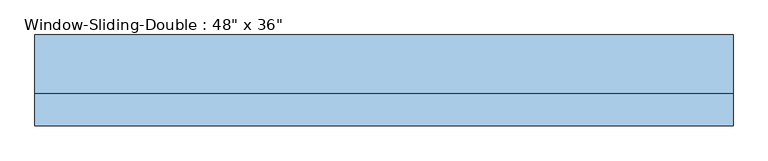
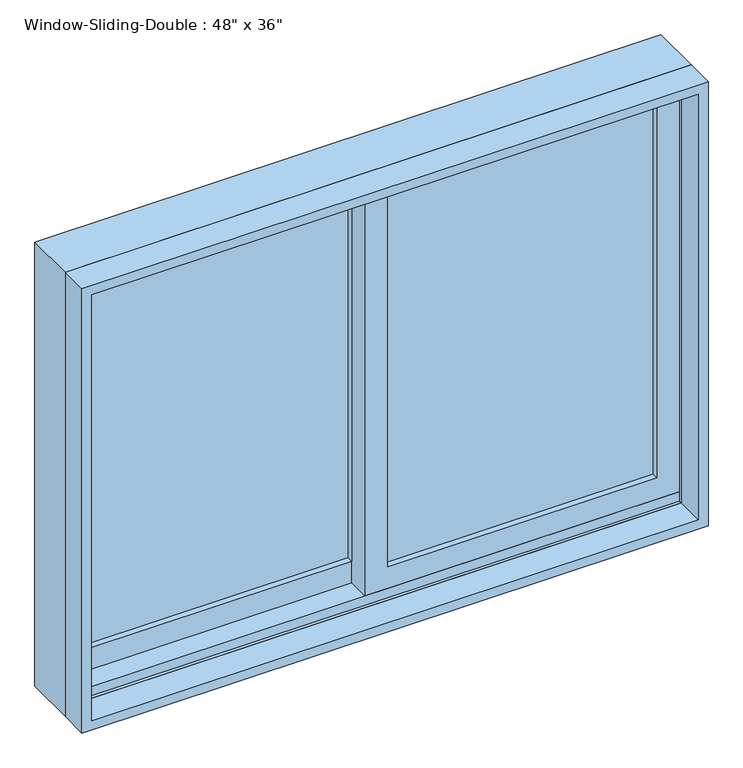
"""IFC4 building model written with IfcOpenShell, lengths in millimetres: window geometry."""

from ifc_helpers import new_model, si_unit, frame, origin, place, context, project, spatial, polyline, outline, extrude, faceted_brep, source, transform, mapped, element, save


def window_d088c535(model_context):
    return source(origin(), model_context, "Body", "SolidModel", [
        faceted_brep([(-609.6, -16.51, 914.4), (-609.6, 85.09, 914.4), (609.6, 85.09, 914.4), (609.6, -16.51, 914.4), (-568.6778905, 85.09, 1787.8778905), (-568.6778905, 78.74, 1787.8778905), (-568.6778905, 78.74, 933.45), (-568.6778905, 85.09, 933.45), (568.6778905, 78.74, 1787.8778905), (568.6778905, 78.74, 933.45), (590.55, 78.74, 933.45), (590.55, 78.74, 1809.75), (-590.55, 78.74, 1809.75), (-590.55, 78.74, 933.45), (-590.55, -16.51, 1809.75), (-590.55, -16.51, 933.45), (-590.55, -10.16, 933.45), (-590.55, -10.16, 952.5), (-590.55, 34.29, 952.5), (-590.55, 34.29, 933.45), (609.6, -16.51, 1828.8), (-609.6, -16.51, 1828.8), (590.55, -16.51, 1809.75), (590.55, -16.51, 933.45), (-609.6, 85.09, 1828.8), (609.6, 85.09, 1828.8), (568.6778905, 85.09, 933.45), (568.6778905, 85.09, 1787.8778905), (590.55, 34.29, 933.45), (590.55, 34.29, 952.5), (590.55, -10.16, 952.5), (590.55, -10.16, 933.45)], [[[0, 1, 2, 3]], [[4, 5, 6, 7]], [[5, 8, 9, 10, 11, 12, 13, 6]], [[12, 14, 15, 16, 17, 18, 19, 13]], [[0, 3, 20, 21], [22, 23, 15, 14]], [[24, 1, 0, 21]], [[2, 1, 24, 25], [4, 7, 26, 27]], [[5, 4, 27, 8]], [[12, 11, 22, 14]], [[21, 20, 25, 24]], [[8, 27, 26, 9]], [[22, 11, 10, 28, 29, 30, 31, 23]], [[20, 3, 2, 25]], [[26, 7, 6, 13, 19, 28, 10, 9]], [[28, 19, 18, 29]], [[29, 18, 17, 30]], [[30, 17, 16, 31]], [[15, 23, 31, 16]]]),
        extrude(outline(polyline([(1828.8, -609.6), (914.4, -609.6), (914.4, 609.6), (1828.8, 609.6), (1828.8, -609.6)]), holes=[polyline([(1809.75, 590.55), (933.45, 590.55), (933.45, -590.55), (1809.75, -590.55), (1809.75, 590.55)])]), frame((0.0, -73.66, 0.0), z_axis=(0.0, 1.0, 0.0), x_axis=(0.0, 0.0, 1.0)), (0.0, 0.0, 1.0), 57.15),
        extrude(outline(polyline([(546.1, 21.59), (546.1, 15.24), (22.225, 15.24), (22.225, 21.59), (546.1, 21.59)])), frame((0.0, 0.0, 996.95), z_axis=(0.0, 0.0, 1.0), x_axis=(1.0, 0.0, 0.0)), (0.0, 0.0, 1.0), 768.35),
        extrude(outline(polyline([(546.1, 8.89), (546.1, 2.54), (22.225, 2.54), (22.225, 8.89), (546.1, 8.89)])), frame((0.0, 0.0, 996.95), z_axis=(0.0, 0.0, 1.0), x_axis=(1.0, 0.0, 0.0)), (0.0, 0.0, 1.0), 768.35),
        extrude(outline(polyline([(-22.225, 66.04), (-22.225, 59.69), (-546.1, 59.69), (-546.1, 66.04), (-22.225, 66.04)])), frame((0.0, 0.0, 996.95), z_axis=(0.0, 0.0, 1.0), x_axis=(1.0, 0.0, 0.0)), (0.0, 0.0, 1.0), 768.35),
        extrude(outline(polyline([(-22.225, 53.34), (-22.225, 46.99), (-546.1, 46.99), (-546.1, 53.34), (-22.225, 53.34)])), frame((0.0, 0.0, 996.95), z_axis=(0.0, 0.0, 1.0), x_axis=(1.0, 0.0, 0.0)), (0.0, 0.0, 1.0), 768.35),
        extrude(outline(polyline([(933.45, -590.55), (933.45, 22.225), (1809.75, 22.225), (1809.75, -590.55), (933.45, -590.55)]), holes=[polyline([(1765.3, -22.225), (996.95, -22.225), (996.95, -546.1), (1765.3, -546.1), (1765.3, -22.225)])]), frame((0.0, 34.29, 0.0), z_axis=(0.0, 1.0, 0.0), x_axis=(0.0, 0.0, 1.0)), (0.0, 0.0, 1.0), 44.45),
        extrude(outline(polyline([(952.5, 590.55), (1809.75, 590.55), (1809.75, -22.225), (952.5, -22.225), (952.5, 590.55)]), holes=[polyline([(996.95, 22.225), (1765.3, 22.225), (1765.3, 546.1), (996.95, 546.1), (996.95, 22.225)])]), frame((0.0, -10.16, 0.0), z_axis=(0.0, 1.0, 0.0), x_axis=(0.0, 0.0, 1.0)), (0.0, 0.0, 1.0), 44.45),
    ])


if __name__ == "__main__":
    model = new_model("IFC4")
    model_context = context("Model", 3, world=origin())
    ifc_project = project(units=[si_unit("LENGTHUNIT", "METRE", prefix="MILLI")], contexts=[model_context])
    site = spatial("IfcSite", under=ifc_project)
    building = spatial("IfcBuilding", under=site)
    placement = place(None, origin())
    window_shape = window_d088c535(model_context)
    element("IfcWindow", 1, ObjectType="Window-Sliding-Double : 48\" x 36\"", at=placement, inside=building, context=model_context, shape_type="MappedRepresentation", body=[
        mapped(window_shape, transform((0.0, 0.0, 0.0), x_axis=(1.0, 0.0, 0.0), y_axis=(0.0, 1.0, 0.0), z_axis=(0.0, 0.0, 1.0))),
    ])
    save(model, "model.ifc")
